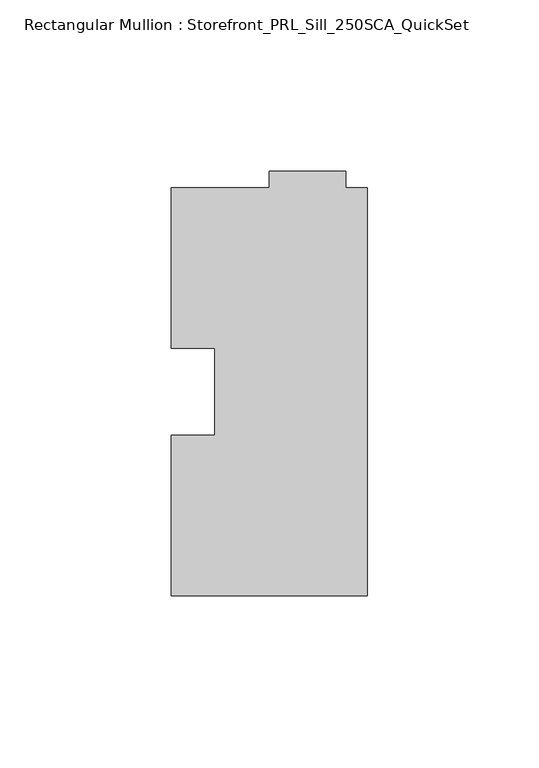
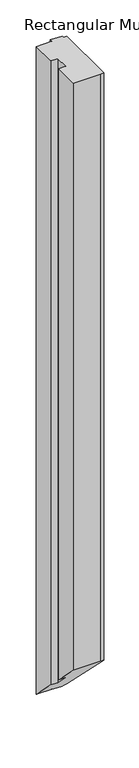
"""IFC4 building model written with IfcOpenShell, lengths in millimetres: member geometry, Rectangular Mullion : Storefront_PRL_Sill_250SCA_QuickSet."""

from ifc_helpers import new_model, si_unit, origin, place, context, project, spatial, faceted_brep, source, transform, mapped, element, save


def rectangular_mullion_storefront_prl_sill_250sca_quickset_b4b51a15(model_context):
    return source(origin(), model_context, "Body", "Brep", [
        faceted_brep([(-44.45, -12.7, 0.0), (-57.15, -12.7, 0.0), (-57.15, -59.53125, 0.0), (-6.35, -59.53125, 0.0), (0.0, -59.53125, 0.0), (0.0, 59.53125, 0.0), (-6.35, 59.53125, 0.0), (-6.35, 64.29375, 0.0), (-28.575, 64.29375, 0.0), (-28.575, 59.53125, 0.0), (-57.15, 59.53125, 0.0), (-57.15, 12.7, 0.0), (-44.45, 12.7, 0.0), (-44.45, -12.7, -1206.5), (-57.15, -12.7, -1206.5), (-57.15, -59.53125, -1159.66875), (-6.35, -59.53125, -1159.66875), (0.0, -59.53125, -1159.66875), (0.0, 59.53125, -1278.73125), (-6.35, 59.53125, -1278.73125), (-6.35, 64.29375, -1283.49375), (-28.575, 64.29375, -1283.49375), (-28.575, 59.53125, -1278.73125), (-57.15, 59.53125, -1278.73125), (-57.15, 12.7, -1231.9), (-44.45, 12.7, -1231.9)], [[[0, 1, 2, 3, 4, 5, 6, 7, 8, 9, 10, 11, 12]], [[1, 0, 13, 14]], [[2, 1, 14, 15]], [[3, 2, 15, 16]], [[4, 3, 16, 17]], [[5, 4, 17, 18]], [[6, 5, 18, 19]], [[7, 6, 19, 20]], [[8, 7, 20, 21]], [[9, 8, 21, 22]], [[10, 9, 22, 23]], [[11, 10, 23, 24]], [[12, 11, 24, 25]], [[0, 12, 25, 13]], [[13, 25, 24, 23, 22, 21, 20, 19, 18, 17, 16, 15, 14]]]),
    ])


if __name__ == "__main__":
    model = new_model("IFC4")
    model_context = context("Model", 3, world=origin())
    ifc_project = project(units=[si_unit("LENGTHUNIT", "METRE", prefix="MILLI")], contexts=[model_context])
    site = spatial("IfcSite", under=ifc_project)
    building = spatial("IfcBuilding", under=site)
    placement = place(None, origin())
    rectangular_mullion_storefront_prl_sill_250sca_quickset_shape = rectangular_mullion_storefront_prl_sill_250sca_quickset_b4b51a15(model_context)
    element("IfcMember", 1, ObjectType="Rectangular Mullion : Storefront_PRL_Sill_250SCA_QuickSet", at=placement, inside=building, context=model_context, shape_type="MappedRepresentation", body=[
        mapped(rectangular_mullion_storefront_prl_sill_250sca_quickset_shape, transform((0.0, 0.0, 0.0), x_axis=(1.0, 0.0, 0.0), y_axis=(0.0, 1.0, 0.0), z_axis=(0.0, 0.0, 1.0))),
    ])
    save(model, "model.ifc")
